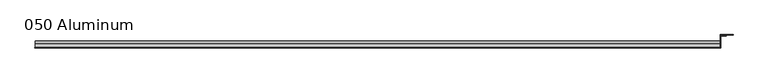
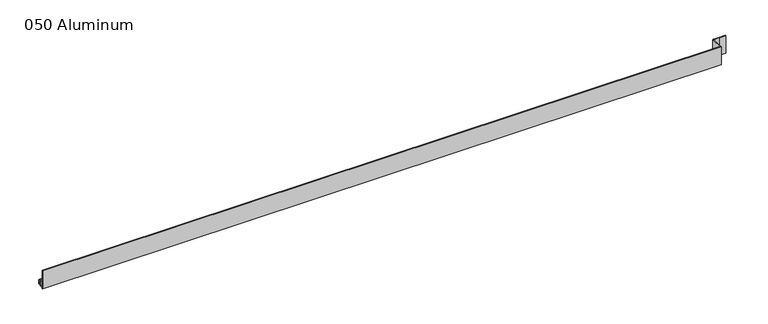
"""IFC4 building model written with IfcOpenShell, lengths in millimetres: plate geometry, 050 Aluminum."""

from ifc_helpers import new_model, si_unit, point, frame, frame_2d, origin, origin_with_axes, place, context, project, spatial, polyline, circle_curve, trimmed, segment, composite_curve, outline, extrude, source, transform, mapped, element, save


def plate_050_aluminum_bafcc2f8(model_context):
    return source(origin(), model_context, "Body", "SweptSolid", [
        extrude(outline(composite_curve([segment(polyline([(-16.6765477, 13.1458337), (-16.6765477, 2.786437), (-17.9464915, 2.786437), (-17.9464915, 13.1323356)]), True, "CONTINUOUS"), segment(trimmed(circle_curve(frame_2d((-19.8514743, 13.124237)), 1.905), [point((-17.9464915, 13.1323356))], [point((-21.7564743, 13.124237))], True, "CARTESIAN"), True, "CONTINUOUS"), segment(polyline([(-21.7564743, 13.124237), (-21.7564743, 0.0), (-34.7980002, 0.0), (-34.7980002, 1.2693678), (-23.0264743, 1.2693678), (-23.0264743, 13.124237)]), True, "CONTINUOUS"), segment(trimmed(circle_curve(frame_2d((-19.8514743, 13.124237)), 3.175), [point((-23.0264743, 13.124237))], [point((-16.6765477, 13.1458337))], False, "CARTESIAN"), True, "CONTINUOUS")], self_intersect=False)), frame((-919.4800002, 0.0, 0.0), z_axis=(1.0, 0.0, 0.0), x_axis=(0.0, 1.0, 0.0)), (0.0, 0.0, 1.0), 1826.2600003),
        extrude(outline(polyline([(-920.7500002, -36.068), (-920.7500002, -34.7980001), (908.0500002, -34.7980001), (908.0500002, -36.068), (-920.7500002, -36.068)])), origin_with_axes(), (0.0, 0.0, 1.0), 51.8290518),
        extrude(outline(polyline([(908.0500002, -1.2699999), (908.0500002, -34.7980002), (906.7800002, -34.7980002), (906.7800002, 0.0), (940.5620858, 0.0), (940.5620858, -1.2699999), (908.0500002, -1.2699999)])), origin_with_axes(), (0.0, 0.0, 1.0), 50.5590518),
        extrude(outline(polyline([(906.7800002, -3.3274743), (906.7800002, -2.0574743), (922.5280001, -2.0574743), (922.5280001, -3.3274743), (906.7800002, -3.3274743)])), origin_with_axes(), (0.0, 0.0, 1.0), 51.8290518),
    ])


if __name__ == "__main__":
    model = new_model("IFC4")
    model_context = context("Model", 3, world=origin())
    ifc_project = project(units=[si_unit("LENGTHUNIT", "METRE", prefix="MILLI")], contexts=[model_context])
    site = spatial("IfcSite", under=ifc_project)
    building = spatial("IfcBuilding", under=site)
    placement = place(None, origin())
    plate_050_aluminum_shape = plate_050_aluminum_bafcc2f8(model_context)
    element("IfcPlate", 1, ObjectType="050 Aluminum", at=placement, inside=building, context=model_context, shape_type="MappedRepresentation", body=[
        mapped(plate_050_aluminum_shape, transform((0.0, 0.0, 0.0), x_axis=(1.0, 0.0, 0.0), y_axis=(0.0, 1.0, 0.0), z_axis=(0.0, 0.0, 1.0))),
    ])
    save(model, "model.ifc")
